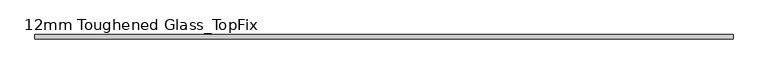
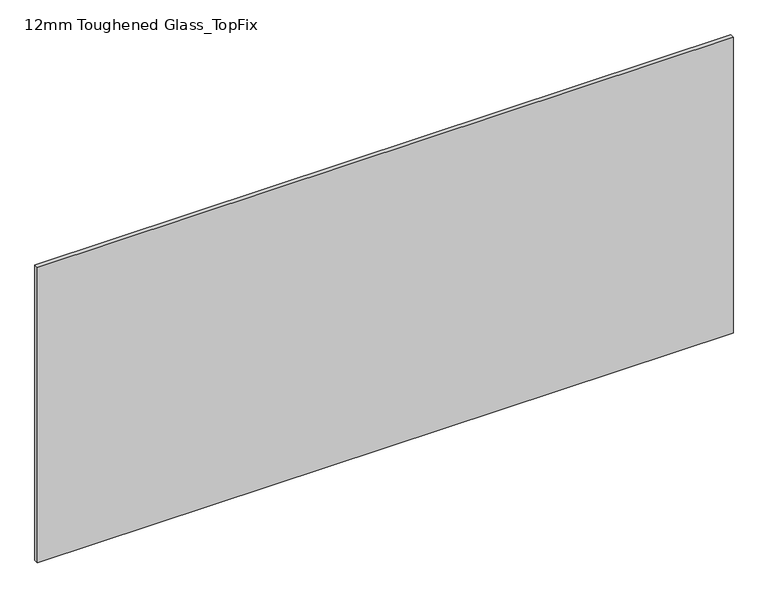
"""IFC4 building model written with IfcOpenShell, lengths in millimetres: plate geometry, 12mm Toughened Glass_TopFix."""

from ifc_helpers import new_model, si_unit, origin, origin_with_axes, place, context, project, spatial, polyline, outline, extrude, source, transform, mapped, element, save


def plate_12mm_toughened_glass_topfix_6a26f1d6(model_context):
    return source(origin(), model_context, "Body", "SweptSolid", [
        extrude(outline(polyline([(945.0000001, 6.0), (945.0000001, -6.0), (-945.0000001, -6.0), (-945.0000001, 6.0), (945.0000001, 6.0)])), origin_with_axes(), (0.0, 0.0, 1.0), 849.0),
    ])


if __name__ == "__main__":
    model = new_model("IFC4")
    model_context = context("Model", 3, world=origin())
    ifc_project = project(units=[si_unit("LENGTHUNIT", "METRE", prefix="MILLI")], contexts=[model_context])
    site = spatial("IfcSite", under=ifc_project)
    building = spatial("IfcBuilding", under=site)
    placement = place(None, origin())
    plate_12mm_toughened_glass_topfix_shape = plate_12mm_toughened_glass_topfix_6a26f1d6(model_context)
    element("IfcPlate", 1, ObjectType="12mm Toughened Glass_TopFix", at=placement, inside=building, context=model_context, shape_type="MappedRepresentation", body=[
        mapped(plate_12mm_toughened_glass_topfix_shape, transform((0.0, 0.0, 0.0), x_axis=(1.0, 0.0, 0.0), y_axis=(0.0, 1.0, 0.0), z_axis=(0.0, 0.0, 1.0))),
    ])
    save(model, "model.ifc")
